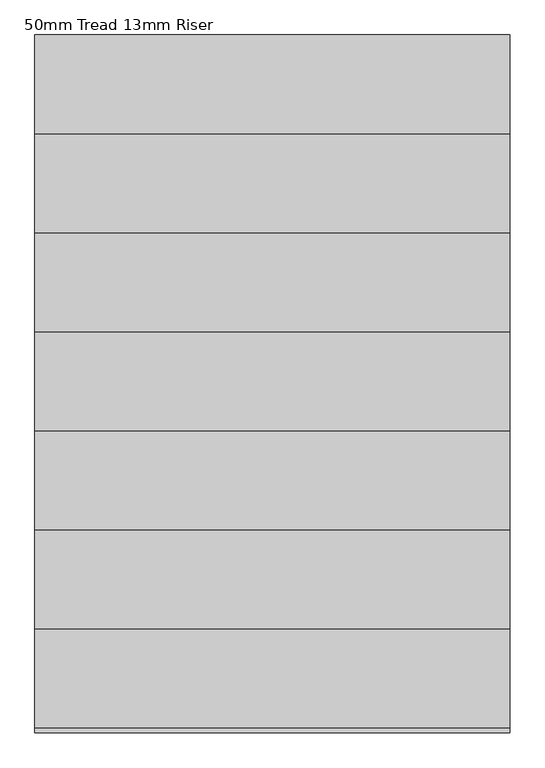
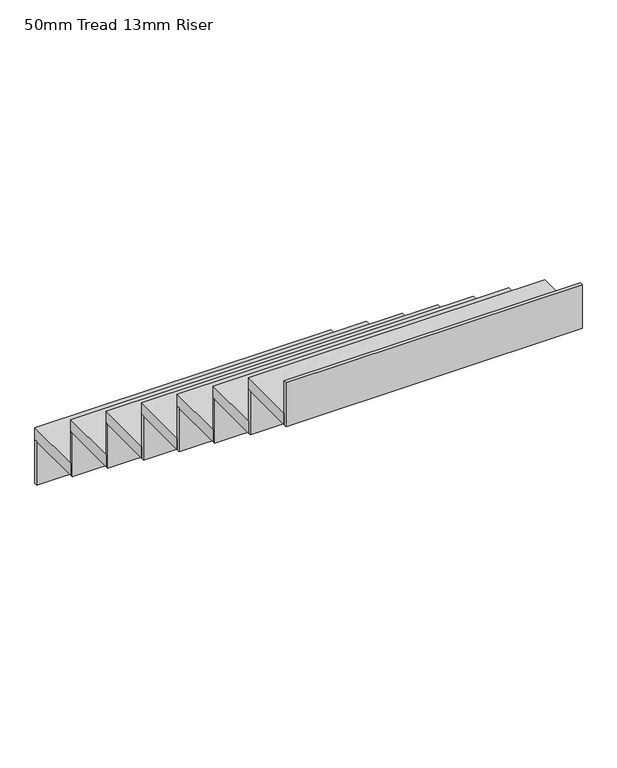
"""IFC4 building model written with IfcOpenShell, lengths in millimetres: stair flight geometry, 50mm Tread 13mm Riser."""

from ifc_helpers import new_model, si_unit, frame, origin, place, context, project, spatial, polyline, outline, extrude, source, transform, mapped, element, save


def stair_flight_50mm_tread_13mm_riser_34e3c81b(model_context):
    return source(origin(), model_context, "Body", "SweptSolid", [
        extrude(outline(polyline([(16413.6731966, 7946.1449078), (16413.6731966, 7958.6449078), (17613.6731966, 7958.6449078), (17613.6731966, 7946.1449078), (16413.6731966, 7946.1449078)])), frame((0.0, 0.0, -1550.0), z_axis=(0.0, 0.0, 1.0), x_axis=(1.0, 0.0, 0.0)), (0.0, 0.0, 1.0), 187.5),
        extrude(outline(polyline([(17613.6731966, 7708.6449078), (16413.6731966, 7708.6449078), (16413.6731966, 7958.6449078), (17613.6731966, 7958.6449078), (17613.6731966, 7708.6449078)])), frame((0.0, 0.0, -1362.5), z_axis=(0.0, 0.0, 1.0), x_axis=(1.0, 0.0, 0.0)), (0.0, 0.0, 1.0), 50.0),
        extrude(outline(polyline([(16413.6731966, 7696.1449078), (16413.6731966, 7708.6449078), (17613.6731966, 7708.6449078), (17613.6731966, 7696.1449078), (16413.6731966, 7696.1449078)])), frame((0.0, 0.0, -1362.5), z_axis=(0.0, 0.0, 1.0), x_axis=(1.0, 0.0, 0.0)), (0.0, 0.0, 1.0), 187.5),
        extrude(outline(polyline([(17613.6731966, 7458.6449078), (16413.6731966, 7458.6449078), (16413.6731966, 7708.6449078), (17613.6731966, 7708.6449078), (17613.6731966, 7458.6449078)])), frame((0.0, 0.0, -1175.0), z_axis=(0.0, 0.0, 1.0), x_axis=(1.0, 0.0, 0.0)), (0.0, 0.0, 1.0), 50.0),
        extrude(outline(polyline([(16413.6731966, 7446.1449078), (16413.6731966, 7458.6449078), (17613.6731966, 7458.6449078), (17613.6731966, 7446.1449078), (16413.6731966, 7446.1449078)])), frame((0.0, 0.0, -1175.0), z_axis=(0.0, 0.0, 1.0), x_axis=(1.0, 0.0, 0.0)), (0.0, 0.0, 1.0), 187.5),
        extrude(outline(polyline([(17613.6731966, 7208.6449078), (16413.6731966, 7208.6449078), (16413.6731966, 7458.6449078), (17613.6731966, 7458.6449078), (17613.6731966, 7208.6449078)])), frame((0.0, 0.0, -987.5), z_axis=(0.0, 0.0, 1.0), x_axis=(1.0, 0.0, 0.0)), (0.0, 0.0, 1.0), 50.0),
        extrude(outline(polyline([(16413.6731966, 7196.1449078), (16413.6731966, 7208.6449078), (17613.6731966, 7208.6449078), (17613.6731966, 7196.1449078), (16413.6731966, 7196.1449078)])), frame((0.0, 0.0, -987.5), z_axis=(0.0, 0.0, 1.0), x_axis=(1.0, 0.0, 0.0)), (0.0, 0.0, 1.0), 187.5),
        extrude(outline(polyline([(17613.6731966, 6958.6449078), (16413.6731966, 6958.6449078), (16413.6731966, 7208.6449078), (17613.6731966, 7208.6449078), (17613.6731966, 6958.6449078)])), frame((0.0, 0.0, -800.0), z_axis=(0.0, 0.0, 1.0), x_axis=(1.0, 0.0, 0.0)), (0.0, 0.0, 1.0), 50.0),
        extrude(outline(polyline([(16413.6731966, 6946.1449078), (16413.6731966, 6958.6449078), (17613.6731966, 6958.6449078), (17613.6731966, 6946.1449078), (16413.6731966, 6946.1449078)])), frame((0.0, 0.0, -800.0), z_axis=(0.0, 0.0, 1.0), x_axis=(1.0, 0.0, 0.0)), (0.0, 0.0, 1.0), 187.5),
        extrude(outline(polyline([(17613.6731966, 6708.6449078), (16413.6731966, 6708.6449078), (16413.6731966, 6958.6449078), (17613.6731966, 6958.6449078), (17613.6731966, 6708.6449078)])), frame((0.0, 0.0, -612.5), z_axis=(0.0, 0.0, 1.0), x_axis=(1.0, 0.0, 0.0)), (0.0, 0.0, 1.0), 50.0),
        extrude(outline(polyline([(16413.6731966, 6696.1449078), (16413.6731966, 6708.6449078), (17613.6731966, 6708.6449078), (17613.6731966, 6696.1449078), (16413.6731966, 6696.1449078)])), frame((0.0, 0.0, -612.5), z_axis=(0.0, 0.0, 1.0), x_axis=(1.0, 0.0, 0.0)), (0.0, 0.0, 1.0), 187.5),
        extrude(outline(polyline([(17613.6731966, 6458.6449078), (16413.6731966, 6458.6449078), (16413.6731966, 6708.6449078), (17613.6731966, 6708.6449078), (17613.6731966, 6458.6449078)])), frame((0.0, 0.0, -425.0), z_axis=(0.0, 0.0, 1.0), x_axis=(1.0, 0.0, 0.0)), (0.0, 0.0, 1.0), 50.0),
        extrude(outline(polyline([(16413.6731966, 6446.1449078), (16413.6731966, 6458.6449078), (17613.6731966, 6458.6449078), (17613.6731966, 6446.1449078), (16413.6731966, 6446.1449078)])), frame((0.0, 0.0, -425.0), z_axis=(0.0, 0.0, 1.0), x_axis=(1.0, 0.0, 0.0)), (0.0, 0.0, 1.0), 187.5),
        extrude(outline(polyline([(17613.6731966, 6208.6449078), (16413.6731966, 6208.6449078), (16413.6731966, 6458.6449078), (17613.6731966, 6458.6449078), (17613.6731966, 6208.6449078)])), frame((0.0, 0.0, -237.5), z_axis=(0.0, 0.0, 1.0), x_axis=(1.0, 0.0, 0.0)), (0.0, 0.0, 1.0), 50.0),
        extrude(outline(polyline([(16413.6731966, 6196.1449078), (16413.6731966, 6208.6449078), (17613.6731966, 6208.6449078), (17613.6731966, 6196.1449078), (16413.6731966, 6196.1449078)])), frame((0.0, 0.0, -237.5), z_axis=(0.0, 0.0, 1.0), x_axis=(1.0, 0.0, 0.0)), (0.0, 0.0, 1.0), 187.5),
    ])


if __name__ == "__main__":
    model = new_model("IFC4")
    model_context = context("Model", 3, world=origin())
    ifc_project = project(units=[si_unit("LENGTHUNIT", "METRE", prefix="MILLI")], contexts=[model_context])
    site = spatial("IfcSite", under=ifc_project)
    building = spatial("IfcBuilding", under=site)
    placement = place(None, origin())
    stair_flight_50mm_tread_13mm_riser_shape = stair_flight_50mm_tread_13mm_riser_34e3c81b(model_context)
    element("IfcStairFlight", 1, ObjectType="50mm Tread 13mm Riser", at=placement, inside=building, context=model_context, shape_type="MappedRepresentation", body=[
        mapped(stair_flight_50mm_tread_13mm_riser_shape, transform((0.0, 0.0, 0.0), x_axis=(1.0, 0.0, 0.0), y_axis=(0.0, 1.0, 0.0), z_axis=(0.0, 0.0, 1.0))),
    ])
    save(model, "model.ifc")
